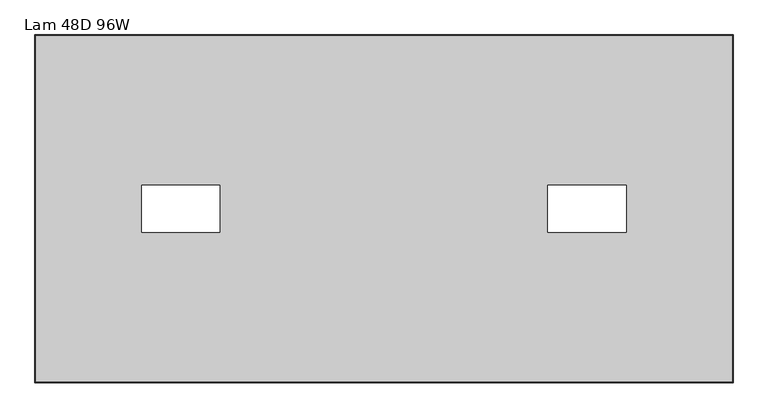
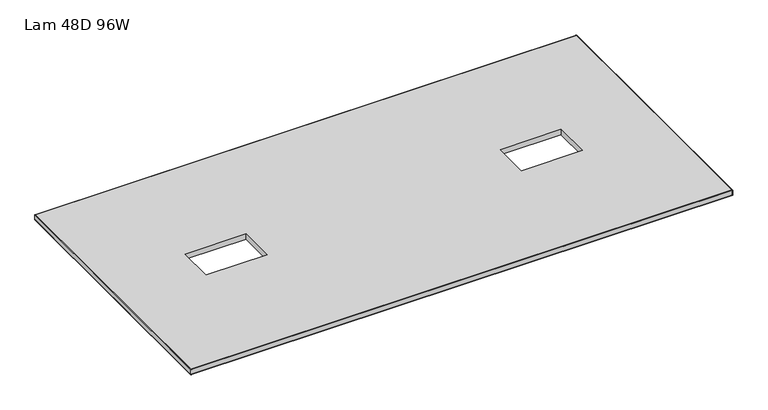
"""IFC4 building model written with IfcOpenShell, lengths in millimetres: furniture geometry, Lam 48D 96W."""

from ifc_helpers import new_model, si_unit, frame, origin, place, context, project, spatial, polyline, ellipse_curve, outline, extrude, source, transform, mapped, element, save
from ifc_brep_helpers import plane_surface, cylinder_surface, advanced_brep


def lam_48d_96w_3a71c566(model_context):
    return source(origin(), model_context, "Body", "SolidModel", [
        advanced_brep(
        [(-1097.0, 604.8248, 342.9), (-1097.0, 604.8248, 317.5), (1333.7518, 604.8248, 317.5), (1333.7518, 604.8248, 342.9), (1333.7518, -604.8248, 317.5), (1333.7518, -604.8248, 342.9), (-1097.0, -604.8248, 317.5), (-1097.0, -604.8248, 342.9), (-1098.6002, 606.425, 319.1002), (-1098.6002, 606.425, 341.2998), (1335.352, 606.425, 341.2998), (1335.352, 606.425, 319.1002), (1335.352, -606.425, 341.2998), (1335.352, -606.425, 319.1002), (-1098.6002, -606.425, 341.2998), (-1098.6002, -606.425, 319.1002)],
        [
            (0, 1),
            (1, 2),
            (2, 3),
            (3, 0),
            (2, 4),
            (4, 5),
            (5, 3),
            (4, 6),
            (6, 7),
            (7, 5),
            (6, 1),
            (0, 7),
            (8, 9),
            (9, 10),
            (10, 11),
            (11, 8),
            (10, 12),
            (12, 13),
            (13, 11),
            (12, 14),
            (14, 15),
            (15, 13),
            (14, 9),
            (8, 15),
            (9, 0, ellipse_curve(frame((-1097.0, 604.8248, 341.2998), z_axis=(0.7071067811865475, 0.7071067811865475, 0.0), x_axis=(-0.7071067811865476, 0.7071067811865474, 0.0)), 2.2630245, 1.6002)),
            (3, 10, ellipse_curve(frame((1333.7518, 604.8248, 341.2998), z_axis=(-0.7071067811865475, 0.7071067811865475, 0.0), x_axis=(-0.7071067811865476, -0.7071067811865474, 0.0)), 2.2630245, 1.6002)),
            (1, 8, ellipse_curve(frame((-1097.0, 604.8248, 319.1002), z_axis=(0.7071067811865475, 0.7071067811865475, 0.0), x_axis=(-0.7071067811865476, 0.7071067811865474, 0.0)), 2.2630245, 1.6002)),
            (11, 2, ellipse_curve(frame((1333.7518, 604.8248, 319.1002), z_axis=(-0.7071067811865475, 0.7071067811865475, 0.0), x_axis=(-0.7071067811865476, -0.7071067811865474, 0.0)), 2.2630245, 1.6002)),
            (5, 12, ellipse_curve(frame((1333.7518, -604.8248, 341.2998), z_axis=(0.7071067811865475, 0.7071067811865475, 0.0), x_axis=(-0.7071067811865474, 0.7071067811865476, 0.0)), 2.2630245, 1.6002)),
            (13, 4, ellipse_curve(frame((1333.7518, -604.8248, 319.1002), z_axis=(0.7071067811865475, 0.7071067811865475, 0.0), x_axis=(-0.7071067811865474, 0.7071067811865476, 0.0)), 2.2630245, 1.6002)),
            (7, 14, ellipse_curve(frame((-1097.0, -604.8248, 341.2998), z_axis=(0.7071067811865475, -0.7071067811865475, 0.0), x_axis=(0.7071067811865476, 0.7071067811865474, 0.0)), 2.2630245, 1.6002)),
            (15, 6, ellipse_curve(frame((-1097.0, -604.8248, 319.1002), z_axis=(0.7071067811865475, -0.7071067811865475, 0.0), x_axis=(0.7071067811865476, 0.7071067811865474, 0.0)), 2.2630245, 1.6002)),
        ],
        [
            plane_surface(frame((-1097.0, 604.8248, 317.5), z_axis=(0.0, -1.0, 0.0), x_axis=(1.0, 0.0, 0.0))),
            plane_surface(frame((1333.7518, 604.8248, 317.5), z_axis=(-1.0, 0.0, 0.0), x_axis=(0.0, -1.0, 0.0))),
            plane_surface(frame((1333.7518, -604.8248, 317.5), z_axis=(0.0, 1.0, 0.0), x_axis=(-1.0, 0.0, 0.0))),
            plane_surface(frame((-1097.0, -604.8248, 317.5), z_axis=(1.0, 0.0, 0.0), x_axis=(0.0, 1.0, 0.0))),
            plane_surface(frame((-1098.6002, 606.425, 341.2998), z_axis=(0.0, 1.0, 0.0), x_axis=(1.0, 0.0, 0.0))),
            plane_surface(frame((1335.352, 606.425, 341.2998), z_axis=(1.0, 0.0, 0.0), x_axis=(0.0, -1.0, 0.0))),
            plane_surface(frame((1335.352, -606.425, 341.2998), z_axis=(0.0, -1.0, 0.0), x_axis=(-1.0, 0.0, 0.0))),
            plane_surface(frame((-1098.6002, -606.425, 341.2998), z_axis=(-1.0, 0.0, 0.0), x_axis=(0.0, 1.0, 0.0))),
            cylinder_surface(frame((-1097.0, 604.8248, 341.2998), z_axis=(-1.0, 0.0, 0.0), x_axis=(0.0, -1.0, 0.0)), 1.6002),
            cylinder_surface(frame((-1097.0, 604.8248, 319.1002), z_axis=(-1.0, 0.0, 0.0), x_axis=(0.0, -1.0, 0.0)), 1.6002),
            cylinder_surface(frame((1333.7518, 604.8248, 341.2998), z_axis=(0.0, 1.0, 0.0), x_axis=(-1.0, 0.0, 0.0)), 1.6002),
            cylinder_surface(frame((1333.7518, 604.8248, 319.1002), z_axis=(0.0, 1.0, 0.0), x_axis=(-1.0, 0.0, 0.0)), 1.6002),
            cylinder_surface(frame((1333.7518, -604.8248, 341.2998), z_axis=(1.0, 0.0, 0.0), x_axis=(0.0, 1.0, 0.0)), 1.6002),
            cylinder_surface(frame((1333.7518, -604.8248, 319.1002), z_axis=(1.0, 0.0, 0.0), x_axis=(0.0, 1.0, 0.0)), 1.6002),
            cylinder_surface(frame((-1097.0, -604.8248, 341.2998), z_axis=(0.0, -1.0, 0.0), x_axis=(1.0, 0.0, 0.0)), 1.6002),
            cylinder_surface(frame((-1097.0, -604.8248, 319.1002), z_axis=(0.0, -1.0, 0.0), x_axis=(1.0, 0.0, 0.0)), 1.6002),
        ],
        [
            (0, [[1, 2, 3, 4]]),
            (1, [[-3, 5, 6, 7]]),
            (2, [[-6, 8, 9, 10]]),
            (3, [[-9, 11, -1, 12]]),
            (4, [[13, 14, 15, 16]]),
            (5, [[-15, 17, 18, 19]]),
            (6, [[-18, 20, 21, 22]]),
            (7, [[-21, 23, -13, 24]]),
            (8, [[25, -4, 26, -14]]),
            (9, [[27, -16, 28, -2]]),
            (10, [[-26, -7, 29, -17]]),
            (11, [[-28, -19, 30, -5]]),
            (12, [[-29, -10, 31, -20]]),
            (13, [[-30, -22, 32, -8]]),
            (14, [[-31, -12, -25, -23]]),
            (15, [[-32, -24, -27, -11]]),
        ],
    ),
        extrude(outline(polyline([(1333.7518, 604.8248), (1333.7518, -604.8248), (-1097.0, -604.8248), (-1097.0, 604.8248), (1333.7518, 604.8248)]), holes=[polyline([(-453.8113, 81.915), (-726.8613, 81.915), (-726.8613, -81.915), (-453.8113, -81.915), (-453.8113, 81.915)]), polyline([(962.2133, 81.915), (689.1633, 81.915), (689.1633, -81.915), (962.2133, -81.915), (962.2133, 81.915)])]), frame((0.0, 0.0, 317.5), z_axis=(0.0, 0.0, 1.0), x_axis=(1.0, 0.0, 0.0)), (0.0, 0.0, 1.0), 25.4),
    ])


if __name__ == "__main__":
    model = new_model("IFC4")
    model_context = context("Model", 3, world=origin())
    ifc_project = project(units=[si_unit("LENGTHUNIT", "METRE", prefix="MILLI")], contexts=[model_context])
    site = spatial("IfcSite", under=ifc_project)
    building = spatial("IfcBuilding", under=site)
    placement = place(None, origin())
    lam_48d_96w_shape = lam_48d_96w_3a71c566(model_context)
    element("IfcFurniture", 1, ObjectType="Lam 48D 96W", at=placement, inside=building, context=model_context, shape_type="MappedRepresentation", body=[
        mapped(lam_48d_96w_shape, transform((0.0, 0.0, 0.0), x_axis=(1.0, 0.0, 0.0), y_axis=(0.0, 1.0, 0.0), z_axis=(0.0, 0.0, 1.0))),
    ])
    save(model, "model.ifc")
